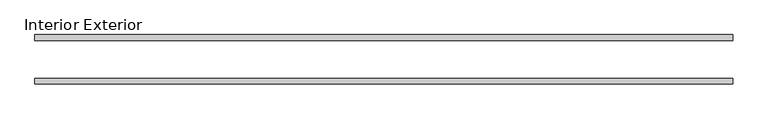
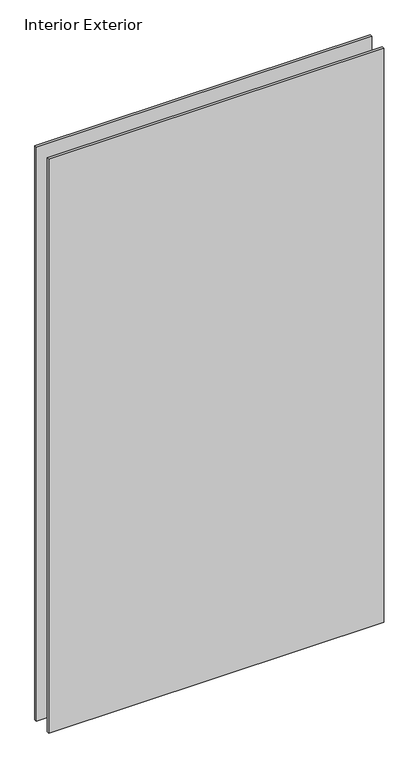
"""IFC4 building model written with IfcOpenShell, lengths in millimetres: plate geometry, Interior Exterior."""

from ifc_helpers import new_model, si_unit, frame, origin, place, context, project, spatial, polyline, outline, extrude, source, transform, mapped, element, save


def interior_exterior_d5346cc2(model_context):
    return source(origin(), model_context, "Body", "SweptSolid", [
        extrude(outline(polyline([(592.1375, -41.275), (-576.2625, -41.275), (-576.2625, -31.75), (592.1375, -31.75), (592.1375, -41.275)])), frame((0.0, 0.0, -25.4), z_axis=(0.0, 0.0, 1.0), x_axis=(1.0, 0.0, 0.0)), (0.0, 0.0, 1.0), 2114.0000008),
        extrude(outline(polyline([(592.1375, 41.275), (592.1375, 31.75), (-576.2625, 31.75), (-576.2625, 41.275), (592.1375, 41.275)])), frame((0.0, 0.0, -25.4), z_axis=(0.0, 0.0, 1.0), x_axis=(1.0, 0.0, 0.0)), (0.0, 0.0, 1.0), 2114.0000008),
    ])


if __name__ == "__main__":
    model = new_model("IFC4")
    model_context = context("Model", 3, world=origin())
    ifc_project = project(units=[si_unit("LENGTHUNIT", "METRE", prefix="MILLI")], contexts=[model_context])
    site = spatial("IfcSite", under=ifc_project)
    building = spatial("IfcBuilding", under=site)
    placement = place(None, origin())
    interior_exterior_shape = interior_exterior_d5346cc2(model_context)
    element("IfcPlate", 1, ObjectType="Interior Exterior", at=placement, inside=building, context=model_context, shape_type="MappedRepresentation", body=[
        mapped(interior_exterior_shape, transform((0.0, 0.0, 0.0), x_axis=(1.0, 0.0, 0.0), y_axis=(0.0, 1.0, 0.0), z_axis=(0.0, 0.0, 1.0))),
    ])
    save(model, "model.ifc")
